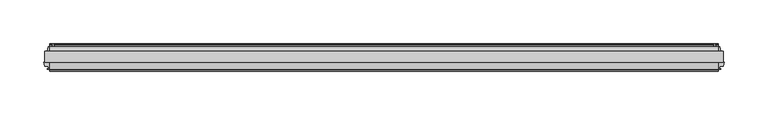
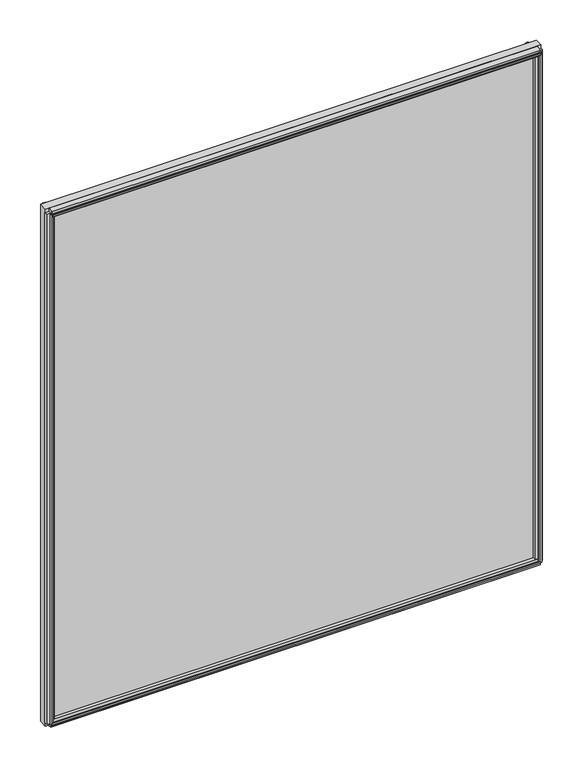
"""IFC4 building model written with IfcOpenShell, lengths in millimetres: plate geometry."""

from ifc_helpers import new_model, si_unit, point, frame, frame_2d, origin, origin_with_axes, place, context, project, spatial, polyline, circle_curve, trimmed, segment, composite_curve, outline, extrude, source, transform, mapped, element, save


def plate_0f1a8444(model_context):
    return source(origin(), model_context, "Body", "SweptSolid", [
        extrude(outline(polyline([(388.7930103, -0.0460375), (388.7930103, -12.8984375), (-388.7930103, -12.8984375), (-388.7930103, -0.0460375), (388.7930103, -0.0460375)])), origin_with_axes(), (0.0, 0.0, 1.0), 857.2446606),
        extrude(outline(composite_curve([segment(polyline([(7.9801525, 11.112559), (5.5925525, 11.1124979)]), True, "CONTINUOUS"), segment(trimmed(circle_curve(frame_2d((5.5925727, 10.3250979)), 0.7874), [point((5.5925525, 11.1124979))], [point((4.8051727, 10.3250778))], True, "CARTESIAN"), True, "CONTINUOUS"), segment(polyline([(4.8051727, 10.3250778), (4.8051928, 9.5376778), (6.3799928, 9.5377181), (4.8053625, 3.7841758), (4.8053625, 2.9042818)]), True, "CONTINUOUS"), segment(trimmed(circle_curve(frame_2d((2.3796615, 2.9426237)), 2.426004), [point((4.8053625, 2.9042818))], [point((-0.0460375, 2.9041577))], False, "CARTESIAN"), True, "CONTINUOUS"), segment(polyline([(-0.0460375, 2.9041577), (-0.0460375, 16.9229653)]), True, "CONTINUOUS"), segment(trimmed(circle_curve(frame_2d((11.636134, 24.6114215)), 13.9851882), [point((-0.0460375, 16.9229653))], [point((7.9801525, 11.112559))], True, "CARTESIAN"), True, "CONTINUOUS")], self_intersect=False)), frame((-383.2367603, 0.0, 0.0), z_axis=(1.0, 0.0, 0.0), x_axis=(0.0, 1.0, 0.0)), (0.0, 0.0, 1.0), 766.4735205),
        extrude(outline(polyline([(-20.3942598, 3.946253), (-20.1464993, 2.4003), (-20.9588426, 2.4003), (-21.3566375, 4.7371), (-20.9416217, 7.0739), (-20.1283543, 7.0739), (-20.3886275, 5.5210429), (-17.6691189, 5.9939196), (-17.6691189, 10.3197912), (-12.8984375, 11.5326763), (-12.8984375, -2.0076763), (-17.6782032, -0.7924816), (-17.6782032, 3.4539358), (-20.3942598, 3.946253)])), frame((-383.2367603, 0.0, 0.0), z_axis=(1.0, 0.0, 0.0), x_axis=(0.0, 1.0, 0.0)), (0.0, 0.0, 1.0), 766.4735205),
        extrude(outline(polyline([(-12.8984375, 857.2787778), (-12.8984375, 843.461728), (-17.6736375, 844.460643), (-18.7846441, 848.6069762), (-21.5347434, 848.3697136), (-20.888384, 846.9388482), (-21.6734885, 846.7284801), (-22.6708491, 848.8804715), (-22.8831052, 851.242831), (-22.0980007, 851.4531991), (-21.9423316, 849.8908536), (-19.4420445, 851.0604278), (-20.5530511, 855.206761), (-12.8984375, 857.2787778)])), frame((-383.2367603, 0.0, 0.0), z_axis=(1.0, 0.0, 0.0), x_axis=(0.0, 1.0, 0.0)), (0.0, 0.0, 1.0), 766.4735205),
        extrude(outline(polyline([(4.8053625, 852.0260653), (4.8053625, 847.7334653), (7.5231625, 847.2508653), (7.2691625, 848.8002653), (8.0819625, 848.8002653), (8.4883625, 846.4634653), (8.0819625, 844.1266653), (7.2691625, 844.1266653), (7.5231625, 845.6760653), (4.8053625, 845.1934653), (4.8053625, 840.9008653), (-0.0460375, 839.6674585), (-0.0460375, 853.2594721), (4.8053625, 852.0260653)])), frame((-383.2367603, 0.0, 0.0), z_axis=(1.0, 0.0, 0.0), x_axis=(0.0, 1.0, 0.0)), (0.0, 0.0, 1.0), 766.4735205),
        extrude(outline(polyline([(382.4395632, -20.2926598), (381.9472461, -17.5766032), (377.668971, -17.5766032), (376.4796069, -12.8984375), (389.9812136, -12.8984375), (388.7941591, -17.5675189), (384.4872298, -17.5675189), (384.0143532, -20.2870275), (385.5672103, -20.0267543), (385.5672103, -20.8400217), (383.2304103, -21.2550375), (380.8936103, -20.8572426), (380.8936103, -20.0448993), (382.4395632, -20.2926598)])), frame((0.0, 0.0, 5.55625), z_axis=(0.0, 0.0, 1.0), x_axis=(1.0, 0.0, 0.0)), (0.0, 0.0, 1.0), 846.1321606),
        extrude(outline(polyline([(379.7979532, 7.6219525), (380.2734994, 4.8870913), (384.5816623, 4.8870913), (385.8358475, -0.0460375), (372.192173, -0.0460375), (373.4525591, 4.9114812), (377.7308375, 4.9114812), (378.2231632, 7.6275848), (376.6757717, 7.3791279), (376.6757717, 8.1919227), (379.0140103, 8.5899625), (381.3493418, 8.1752075), (381.3464348, 7.3624127), (379.7979532, 7.6219525)])), frame((0.0, 0.0, 5.55625), z_axis=(0.0, 0.0, 1.0), x_axis=(1.0, 0.0, 0.0)), (0.0, 0.0, 1.0), 846.1321606),
        extrude(outline(polyline([(-384.0143532, -20.2870275), (-384.4898994, -17.5521663), (-388.7980623, -17.5521663), (-389.9785902, -12.9087562), (-376.4822303, -12.9087562), (-377.6689591, -17.5765562), (-381.9472375, -17.5765562), (-382.4395632, -20.2926598), (-380.8921717, -20.0442029), (-380.8921717, -20.8569977), (-383.2304103, -21.2550375), (-385.5657418, -20.8402825), (-385.5628348, -20.0274877), (-384.0143532, -20.2870275)])), frame((0.0, 0.0, 5.55625), z_axis=(0.0, 0.0, 1.0), x_axis=(1.0, 0.0, 0.0)), (0.0, 0.0, 1.0), 846.1321606),
        extrude(outline(polyline([(-378.2300673, 7.6219525), (-377.7545211, 4.8870913), (-373.4463583, 4.8870913), (-372.192173, -0.0460375), (-385.8358475, -0.0460375), (-384.5754614, 4.9114812), (-380.297183, 4.9114812), (-379.8048573, 7.6275848), (-381.3522488, 7.3791279), (-381.3522488, 8.1919227), (-379.0140103, 8.5899625), (-376.6786787, 8.1752075), (-376.6815857, 7.3624127), (-378.2300673, 7.6219525)])), frame((0.0, 0.0, 5.55625), z_axis=(0.0, 0.0, 1.0), x_axis=(1.0, 0.0, 0.0)), (0.0, 0.0, 1.0), 846.1321606),
    ])


if __name__ == "__main__":
    model = new_model("IFC4")
    model_context = context("Model", 3, world=origin())
    ifc_project = project(units=[si_unit("LENGTHUNIT", "METRE", prefix="MILLI")], contexts=[model_context])
    site = spatial("IfcSite", under=ifc_project)
    building = spatial("IfcBuilding", under=site)
    placement = place(None, origin())
    plate_shape = plate_0f1a8444(model_context)
    element("IfcPlate", 1, at=placement, inside=building, context=model_context, shape_type="MappedRepresentation", body=[
        mapped(plate_shape, transform((0.0, 0.0, 0.0), x_axis=(1.0, 0.0, 0.0), y_axis=(0.0, 1.0, 0.0), z_axis=(0.0, 0.0, 1.0))),
    ])
    save(model, "model.ifc")
